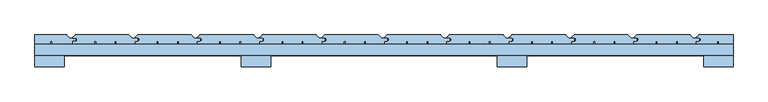
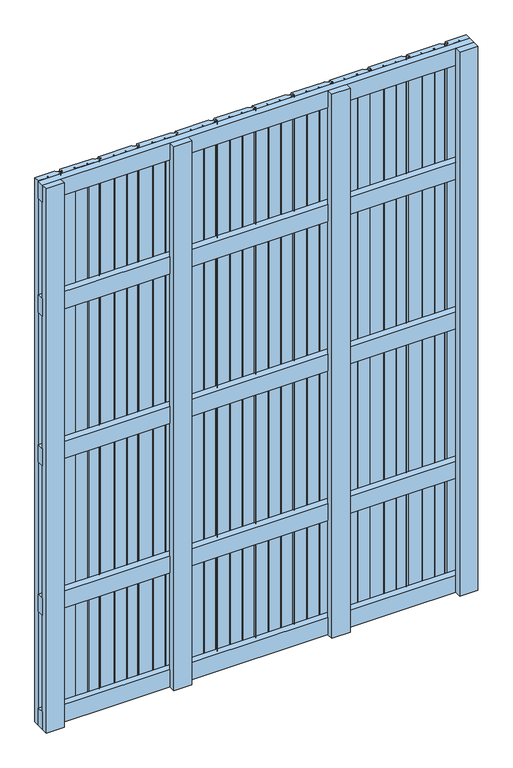
"""IFC4 building model written with IfcOpenShell, lengths in millimetres: window geometry."""

import ifcopenshell
import ifcopenshell.guid

model = None  # the IFC model being written
_history = None  # IfcOwnerHistory: only IFC2X3 demands one
_inside = {}  # id of a spatial element -> (the spatial element, [elements in it])
_under = {}  # id of a project, library or spatial element -> (it, [spatial elements below it])
_declared = {}  # id of a project -> (the project, [libraries it declares])
_typed = {}  # id of a type object -> (the type object, [elements of that type])
_made_of = {}  # id of a material, layer set ... -> (it, [elements and type objects made of it])


def new_model(schema):
    """Start an empty IFC model of exactly this schema.

    Asked for "IFC4X3", IfcOpenShell would pick the latest addendum, in which some entities
    have other attributes; the version numbers below select the first issue.
    IFC2X3 requires an IfcOwnerHistory on every rooted entity: one is made here for all.
    """
    global model, _history
    if schema == "IFC4X3":
        model = ifcopenshell.file(schema_version=(4, 3, 0, 0))
    else:
        model = ifcopenshell.file(schema=schema)
    _inside.clear()
    _under.clear()
    _declared.clear()
    _typed.clear()
    _made_of.clear()
    _history = None
    if model.schema == "IFC2X3":
        org = make("IfcOrganization", Name="unknown")
        user = make(
            "IfcPersonAndOrganization",
            ThePerson=make("IfcPerson", FamilyName="unknown"),
            TheOrganization=org,
        )
        app = make(
            "IfcApplication",
            ApplicationDeveloper=org,
            Version="unknown",
            ApplicationFullName="unknown",
            ApplicationIdentifier="unknown",
        )
        _history = make(
            "IfcOwnerHistory",
            OwningUser=user,
            OwningApplication=app,
            ChangeAction="ADDED",
            CreationDate=0,
        )
    return model


def make(cls, **values):
    """One entity of the class cls with the attributes given. An attribute that is None is left unset."""
    return model.create_entity(
        cls, **{name: value for name, value in values.items() if value is not None}
    )


def rooted(cls, **values):
    """An entity with a GlobalId (a new one), such as an element, a storey or a relation."""
    return make(cls, GlobalId=ifcopenshell.guid.new(), OwnerHistory=_history, **values)


def si_unit(unit_type, name, prefix=None):
    """IfcSIUnit, for example si_unit("LENGTHUNIT", "METRE", prefix="MILLI")."""
    return make("IfcSIUnit", UnitType=unit_type, Prefix=prefix, Name=name)


def assignment(units):
    """IfcUnitAssignment: the units of a project."""
    return None if units is None else make("IfcUnitAssignment", Units=units)


def point(xyz):
    """IfcCartesianPoint."""
    return None if xyz is None else make("IfcCartesianPoint", Coordinates=xyz)


def direction(xyz):
    """IfcDirection."""
    return None if xyz is None else make("IfcDirection", DirectionRatios=xyz)


def frame(location, z_axis=None, x_axis=None):
    """IfcAxis2Placement3D, a coordinate frame: its origin and axes. An axis left out is left unset."""
    return make(
        "IfcAxis2Placement3D",
        Location=point(location),
        Axis=direction(z_axis),
        RefDirection=direction(x_axis),
    )


def frame_2d(location, x_axis=None):
    """IfcAxis2Placement2D, a coordinate frame in the plane: its origin and x axis."""
    return make(
        "IfcAxis2Placement2D", Location=point(location), RefDirection=direction(x_axis)
    )


def origin():
    """The frame at (0, 0, 0) with its axes left unset."""
    return frame((0.0, 0.0, 0.0))


def place(relative_to, where):
    """IfcLocalPlacement: puts the frame where relative to a parent placement (None: the world)."""
    return make(
        "IfcLocalPlacement", PlacementRelTo=relative_to, RelativePlacement=where
    )


def context(
    kind, dimensions, precision=None, world=None, true_north=None, identifier=None
):
    """IfcGeometricRepresentationContext, for example the 3D "Model" context."""
    return make(
        "IfcGeometricRepresentationContext",
        ContextIdentifier=identifier,
        ContextType=kind,
        CoordinateSpaceDimension=dimensions,
        Precision=precision,
        WorldCoordinateSystem=world,
        TrueNorth=true_north,
    )


def project(units=None, contexts=None):
    """IfcProject with its units and contexts."""
    return rooted(
        "IfcProject",
        Name="project",
        RepresentationContexts=contexts,
        UnitsInContext=assignment(units),
    )


def spatial(cls, under=None, at=None, **own):
    """A site, building, storey or space (cls), placed at a placement, below another one or the project."""
    s = rooted(cls, ObjectPlacement=at, **own)
    if under is not None:
        _under.setdefault(under.id(), (under, []))[1].append(s)
    return s


def polyline(points):
    """IfcPolyline through the points."""
    return make("IfcPolyline", Points=[point(p) for p in points])


def circle_curve(where, radius):
    """IfcCircle in the frame where."""
    return make("IfcCircle", Position=where, Radius=radius)


def trimmed(basis, trim1, trim2, sense, master):
    """IfcTrimmedCurve: the piece of a basis curve between two trims."""
    return make(
        "IfcTrimmedCurve",
        BasisCurve=basis,
        Trim1=trim1,
        Trim2=trim2,
        SenseAgreement=sense,
        MasterRepresentation=master,
    )


def segment(curve, same_sense, transition):
    """IfcCompositeCurveSegment."""
    return make(
        "IfcCompositeCurveSegment",
        Transition=transition,
        SameSense=same_sense,
        ParentCurve=curve,
    )


def composite_curve(segments, self_intersect=None):
    """IfcCompositeCurve: segments joined end to end."""
    return make("IfcCompositeCurve", Segments=segments, SelfIntersect=self_intersect)


def outline(outer, holes=None, kind="AREA"):
    """IfcArbitraryClosedProfileDef: a profile drawn as a closed curve; with holes, ...WithVoids."""
    if holes is None:
        return make("IfcArbitraryClosedProfileDef", ProfileType=kind, OuterCurve=outer)
    return make(
        "IfcArbitraryProfileDefWithVoids",
        ProfileType=kind,
        OuterCurve=outer,
        InnerCurves=holes,
    )


def extrude(swept, where, along, depth):
    """IfcExtrudedAreaSolid: the profile swept, set in the frame where, extruded along a direction by depth."""
    return make(
        "IfcExtrudedAreaSolid",
        SweptArea=swept,
        Position=where,
        ExtrudedDirection=direction(along),
        Depth=depth,
    )


def shape(context_of_items, identifier, shape_type, items):
    """IfcShapeRepresentation: the items that make up one representation, for example the "Body"."""
    return make(
        "IfcShapeRepresentation",
        ContextOfItems=context_of_items,
        RepresentationIdentifier=identifier,
        RepresentationType=shape_type,
        Items=items,
    )


def source(mapping_origin, context_of_items, identifier, shape_type, items):
    """IfcRepresentationMap: a shape defined once, which mapped items show again and again."""
    return make(
        "IfcRepresentationMap",
        MappingOrigin=mapping_origin,
        MappedRepresentation=shape(context_of_items, identifier, shape_type, items),
    )


def transform(
    local_origin,
    x_axis=None,
    y_axis=None,
    z_axis=None,
    scale=None,
    scale2=None,
    scale3=None,
    uniform=True,
):
    """IfcCartesianTransformationOperator3D, or its non-uniform kind. x_axis, y_axis, z_axis: its Axis1, 2, 3."""
    if uniform:
        return make(
            "IfcCartesianTransformationOperator3D",
            Axis1=direction(x_axis),
            Axis2=direction(y_axis),
            LocalOrigin=point(local_origin),
            Scale=scale,
            Axis3=direction(z_axis),
        )
    return make(
        "IfcCartesianTransformationOperator3DnonUniform",
        Axis1=direction(x_axis),
        Axis2=direction(y_axis),
        LocalOrigin=point(local_origin),
        Scale=scale,
        Axis3=direction(z_axis),
        Scale2=scale2,
        Scale3=scale3,
    )


def mapped(mapping_source, mapping_target):
    """IfcMappedItem: shows the shape of a source again, moved by a transform."""
    return make(
        "IfcMappedItem", MappingSource=mapping_source, MappingTarget=mapping_target
    )


def made_of(thing, what):
    """Note that an element or type object is made of a material, layer set ...; save() writes the relation."""
    if what is not None:
        _made_of.setdefault(what.id(), (what, []))[1].append(thing)
    return thing


def element(
    cls,
    number,
    at=None,
    inside=None,
    cuts=None,
    type_object=None,
    material=None,
    context=None,
    identifier="Body",
    shape_type=None,
    held_by="IfcProductDefinitionShape",
    body=None,
    shapes=None,
    **own,
):
    """One element of the class cls, such as IfcWall. Its Tag is "e" and its number.

    at: its placement. inside: the storey or other place that contains it. cuts: it is an
    opening in that element (IfcRelVoidsElement). A single representation is given by context,
    identifier, shape_type and body (its items); several are given by shapes. held_by: the class
    of the entity that holds the representations. save() writes the other relations.
    """
    e = rooted(cls, Tag="e%d" % number, ObjectPlacement=at, **own)
    if body is not None:
        shapes = [shape(context, identifier, shape_type, body)]
    if shapes is not None:
        e.Representation = make(held_by, Representations=shapes)
    if inside is not None:
        _inside.setdefault(inside.id(), (inside, []))[1].append(e)
    if cuts is not None:
        rooted(
            "IfcRelVoidsElement", RelatingBuildingElement=cuts, RelatedOpeningElement=e
        )
    if type_object is not None:
        _typed.setdefault(type_object.id(), (type_object, []))[1].append(e)
    return made_of(e, material)


def aggregate(whole, parts):
    """IfcRelAggregates: a whole, such as a stair, and the parts it consists of."""
    return rooted("IfcRelAggregates", RelatingObject=whole, RelatedObjects=parts)


def save(model, path):
    """Write the relations noted so far, then the file.

    IfcRelAggregates (storeys below a building ...), IfcRelContainedInSpatialStructure (elements
    in a storey), IfcRelDefinesByType, IfcRelAssociatesMaterial and IfcRelDeclares: one each for
    every whole, place, type object, material and project.
    """
    for whole, parts in _under.values():
        aggregate(whole, parts)
    for where, things in _inside.values():
        rooted(
            "IfcRelContainedInSpatialStructure",
            RelatedElements=things,
            RelatingStructure=where,
        )
    for kind, things in _typed.values():
        rooted("IfcRelDefinesByType", RelatedObjects=things, RelatingType=kind)
    for what, things in _made_of.values():
        rooted("IfcRelAssociatesMaterial", RelatedObjects=things, RelatingMaterial=what)
    for by, libraries in _declared.values():
        rooted("IfcRelDeclares", RelatingContext=by, RelatedDefinitions=libraries)
    model.write(path)


def window_7586d197(model_context):
    return source(origin(), model_context, "Body", "SweptSolid", [
        extrude(outline(polyline([(750.0, 148.0), (750.0, 124.0), (-750.0, 124.0), (-750.0, 148.0), (750.0, 148.0)])), frame((0.0, 0.0, 1618.5), z_axis=(0.0, 0.0, 1.0), x_axis=(1.0, 0.0, 0.0)), (0.0, 0.0, 1.0), 63.0),
        extrude(outline(polyline([(750.0, 148.0), (750.0, 124.0), (-750.0, 124.0), (-750.0, 148.0), (750.0, 148.0)])), frame((0.0, 0.0, 1068.5), z_axis=(0.0, 0.0, 1.0), x_axis=(1.0, 0.0, 0.0)), (0.0, 0.0, 1.0), 63.0),
        extrude(outline(polyline([(750.0, 148.0), (750.0, 124.0), (-750.0, 124.0), (-750.0, 148.0), (750.0, 148.0)])), frame((0.0, 0.0, 518.5), z_axis=(0.0, 0.0, 1.0), x_axis=(1.0, 0.0, 0.0)), (0.0, 0.0, 1.0), 63.0),
        extrude(outline(polyline([(750.0, 148.0), (750.0, 124.0), (-750.0, 124.0), (-750.0, 148.0), (750.0, 148.0)])), frame((0.0, 0.0, 2037.0), z_axis=(0.0, 0.0, 1.0), x_axis=(1.0, 0.0, 0.0)), (0.0, 0.0, 1.0), 63.0),
        extrude(outline(polyline([(750.0, 148.0), (750.0, 124.0), (-750.0, 124.0), (-750.0, 148.0), (750.0, 148.0)])), frame((0.0, 0.0, 100.0), z_axis=(0.0, 0.0, 1.0), x_axis=(1.0, 0.0, 0.0)), (0.0, 0.0, 1.0), 63.0),
        extrude(outline(composite_curve([segment(polyline([(-668.0, 154.5), (-661.5, 154.5)]), True, "CONTINUOUS"), segment(trimmed(circle_curve(frame_2d((-661.5, 156.0)), 1.5), [point((-661.5, 154.5))], [point((-660.0, 156.0))], True, "CARTESIAN"), True, "CONTINUOUS"), segment(polyline([(-660.0, 156.0), (-660.0, 159.5)]), True, "CONTINUOUS"), segment(trimmed(circle_curve(frame_2d((-661.5, 159.5)), 1.5), [point((-660.0, 159.5))], [point((-661.5, 161.0))], True, "CARTESIAN"), True, "CONTINUOUS"), segment(polyline([(-661.5, 161.0), (-668.0, 161.0)]), True, "CONTINUOUS"), segment(trimmed(circle_curve(frame_2d((-668.0, 162.0)), 1.0), [point((-668.0, 161.0))], [point((-668.7071068, 162.7071068))], False, "CARTESIAN"), True, "CONTINUOUS"), segment(polyline([(-668.7071068, 162.7071068), (-663.8535534, 167.5606602)]), True, "CONTINUOUS"), segment(trimmed(circle_curve(frame_2d((-662.7928932, 166.5)), 1.5), [point((-663.8535534, 167.5606602))], [point((-662.7928932, 168.0))], False, "CARTESIAN"), True, "CONTINUOUS"), segment(polyline([(-662.7928932, 168.0), (-548.6213203, 168.0)]), True, "CONTINUOUS"), segment(trimmed(circle_curve(frame_2d((-548.6213203, 166.5)), 1.5), [point((-548.6213203, 168.0))], [point((-547.5606602, 167.5606602))], False, "CARTESIAN"), True, "CONTINUOUS"), segment(polyline([(-547.5606602, 167.5606602), (-541.2928932, 161.2928932)]), True, "CONTINUOUS"), segment(trimmed(circle_curve(frame_2d((-540.5857864, 162.0)), 1.0), [point((-541.2928932, 161.2928932))], [point((-540.5857864, 161.0))], True, "CARTESIAN"), True, "CONTINUOUS"), segment(polyline([(-540.5857864, 161.0), (-530.5, 161.0)]), True, "CONTINUOUS"), segment(trimmed(circle_curve(frame_2d((-530.5, 159.5)), 1.5), [point((-530.5, 161.0))], [point((-529.0, 159.5))], False, "CARTESIAN"), True, "CONTINUOUS"), segment(polyline([(-529.0, 159.5), (-529.0, 156.0)]), True, "CONTINUOUS"), segment(trimmed(circle_curve(frame_2d((-530.5, 156.0)), 1.5), [point((-529.0, 156.0))], [point((-530.5, 154.5))], False, "CARTESIAN"), True, "CONTINUOUS"), segment(polyline([(-530.5, 154.5), (-536.0, 154.5), (-536.0, 148.0), (-575.0, 148.0), (-575.0, 154.5), (-578.5, 154.5), (-578.5, 148.5), (-618.5, 148.5), (-618.5, 154.5), (-622.0, 154.5), (-622.0, 148.0), (-669.0, 148.0), (-669.0, 153.5)]), True, "CONTINUOUS"), segment(trimmed(circle_curve(frame_2d((-668.0, 153.5)), 1.0), [point((-669.0, 153.5))], [point((-668.0, 154.5))], False, "CARTESIAN"), True, "CONTINUOUS")], self_intersect=False)), frame((0.0, 0.0, 100.0), z_axis=(0.0, 0.0, 1.0), x_axis=(1.0, 0.0, 0.0)), (0.0, 0.0, 1.0), 2000.0),
        extrude(outline(composite_curve([segment(polyline([(-534.0, 154.5), (-527.5, 154.5)]), True, "CONTINUOUS"), segment(trimmed(circle_curve(frame_2d((-527.5, 156.0)), 1.5), [point((-527.5, 154.5))], [point((-526.0, 156.0))], True, "CARTESIAN"), True, "CONTINUOUS"), segment(polyline([(-526.0, 156.0), (-526.0, 159.5)]), True, "CONTINUOUS"), segment(trimmed(circle_curve(frame_2d((-527.5, 159.5)), 1.5), [point((-526.0, 159.5))], [point((-527.5, 161.0))], True, "CARTESIAN"), True, "CONTINUOUS"), segment(polyline([(-527.5, 161.0), (-534.0, 161.0)]), True, "CONTINUOUS"), segment(trimmed(circle_curve(frame_2d((-534.0, 162.0)), 1.0), [point((-534.0, 161.0))], [point((-534.7071068, 162.7071068))], False, "CARTESIAN"), True, "CONTINUOUS"), segment(polyline([(-534.7071068, 162.7071068), (-529.8535534, 167.5606602)]), True, "CONTINUOUS"), segment(trimmed(circle_curve(frame_2d((-528.7928932, 166.5)), 1.5), [point((-529.8535534, 167.5606602))], [point((-528.7928932, 168.0))], False, "CARTESIAN"), True, "CONTINUOUS"), segment(polyline([(-528.7928932, 168.0), (-414.6213203, 168.0)]), True, "CONTINUOUS"), segment(trimmed(circle_curve(frame_2d((-414.6213203, 166.5)), 1.5), [point((-414.6213203, 168.0))], [point((-413.5606602, 167.5606602))], False, "CARTESIAN"), True, "CONTINUOUS"), segment(polyline([(-413.5606602, 167.5606602), (-407.2928932, 161.2928932)]), True, "CONTINUOUS"), segment(trimmed(circle_curve(frame_2d((-406.5857864, 162.0)), 1.0), [point((-407.2928932, 161.2928932))], [point((-406.5857864, 161.0))], True, "CARTESIAN"), True, "CONTINUOUS"), segment(polyline([(-406.5857864, 161.0), (-396.5, 161.0)]), True, "CONTINUOUS"), segment(trimmed(circle_curve(frame_2d((-396.5, 159.5)), 1.5), [point((-396.5, 161.0))], [point((-395.0, 159.5))], False, "CARTESIAN"), True, "CONTINUOUS"), segment(polyline([(-395.0, 159.5), (-395.0, 156.0)]), True, "CONTINUOUS"), segment(trimmed(circle_curve(frame_2d((-396.5, 156.0)), 1.5), [point((-395.0, 156.0))], [point((-396.5, 154.5))], False, "CARTESIAN"), True, "CONTINUOUS"), segment(polyline([(-396.5, 154.5), (-402.0, 154.5), (-402.0, 148.0), (-441.0, 148.0), (-441.0, 154.5), (-444.5, 154.5), (-444.5, 148.5), (-484.5, 148.5), (-484.5, 154.5), (-488.0, 154.5), (-488.0, 148.0), (-535.0, 148.0), (-535.0, 153.5)]), True, "CONTINUOUS"), segment(trimmed(circle_curve(frame_2d((-534.0, 153.5)), 1.0), [point((-535.0, 153.5))], [point((-534.0, 154.5))], False, "CARTESIAN"), True, "CONTINUOUS")], self_intersect=False)), frame((0.0, 0.0, 100.0), z_axis=(0.0, 0.0, 1.0), x_axis=(1.0, 0.0, 0.0)), (0.0, 0.0, 1.0), 2000.0),
        extrude(outline(composite_curve([segment(polyline([(-400.0, 154.5), (-393.5, 154.5)]), True, "CONTINUOUS"), segment(trimmed(circle_curve(frame_2d((-393.5, 156.0)), 1.5), [point((-393.5, 154.5))], [point((-392.0, 156.0))], True, "CARTESIAN"), True, "CONTINUOUS"), segment(polyline([(-392.0, 156.0), (-392.0, 159.5)]), True, "CONTINUOUS"), segment(trimmed(circle_curve(frame_2d((-393.5, 159.5)), 1.5), [point((-392.0, 159.5))], [point((-393.5, 161.0))], True, "CARTESIAN"), True, "CONTINUOUS"), segment(polyline([(-393.5, 161.0), (-400.0, 161.0)]), True, "CONTINUOUS"), segment(trimmed(circle_curve(frame_2d((-400.0, 162.0)), 1.0), [point((-400.0, 161.0))], [point((-400.7071068, 162.7071068))], False, "CARTESIAN"), True, "CONTINUOUS"), segment(polyline([(-400.7071068, 162.7071068), (-395.8535534, 167.5606602)]), True, "CONTINUOUS"), segment(trimmed(circle_curve(frame_2d((-394.7928932, 166.5)), 1.5), [point((-395.8535534, 167.5606602))], [point((-394.7928932, 168.0))], False, "CARTESIAN"), True, "CONTINUOUS"), segment(polyline([(-394.7928932, 168.0), (-280.6213203, 168.0)]), True, "CONTINUOUS"), segment(trimmed(circle_curve(frame_2d((-280.6213203, 166.5)), 1.5), [point((-280.6213203, 168.0))], [point((-279.5606602, 167.5606602))], False, "CARTESIAN"), True, "CONTINUOUS"), segment(polyline([(-279.5606602, 167.5606602), (-273.2928932, 161.2928932)]), True, "CONTINUOUS"), segment(trimmed(circle_curve(frame_2d((-272.5857864, 162.0)), 1.0), [point((-273.2928932, 161.2928932))], [point((-272.5857864, 161.0))], True, "CARTESIAN"), True, "CONTINUOUS"), segment(polyline([(-272.5857864, 161.0), (-262.5, 161.0)]), True, "CONTINUOUS"), segment(trimmed(circle_curve(frame_2d((-262.5, 159.5)), 1.5), [point((-262.5, 161.0))], [point((-261.0, 159.5))], False, "CARTESIAN"), True, "CONTINUOUS"), segment(polyline([(-261.0, 159.5), (-261.0, 156.0)]), True, "CONTINUOUS"), segment(trimmed(circle_curve(frame_2d((-262.5, 156.0)), 1.5), [point((-261.0, 156.0))], [point((-262.5, 154.5))], False, "CARTESIAN"), True, "CONTINUOUS"), segment(polyline([(-262.5, 154.5), (-268.0, 154.5), (-268.0, 148.0), (-307.0, 148.0), (-307.0, 154.5), (-310.5, 154.5), (-310.5, 148.5), (-350.5, 148.5), (-350.5, 154.5), (-354.0, 154.5), (-354.0, 148.0), (-401.0, 148.0), (-401.0, 153.5)]), True, "CONTINUOUS"), segment(trimmed(circle_curve(frame_2d((-400.0, 153.5)), 1.0), [point((-401.0, 153.5))], [point((-400.0, 154.5))], False, "CARTESIAN"), True, "CONTINUOUS")], self_intersect=False)), frame((0.0, 0.0, 100.0), z_axis=(0.0, 0.0, 1.0), x_axis=(1.0, 0.0, 0.0)), (0.0, 0.0, 1.0), 2000.0),
        extrude(outline(composite_curve([segment(polyline([(-266.0, 154.5), (-259.5, 154.5)]), True, "CONTINUOUS"), segment(trimmed(circle_curve(frame_2d((-259.5, 156.0)), 1.5), [point((-259.5, 154.5))], [point((-258.0, 156.0))], True, "CARTESIAN"), True, "CONTINUOUS"), segment(polyline([(-258.0, 156.0), (-258.0, 159.5)]), True, "CONTINUOUS"), segment(trimmed(circle_curve(frame_2d((-259.5, 159.5)), 1.5), [point((-258.0, 159.5))], [point((-259.5, 161.0))], True, "CARTESIAN"), True, "CONTINUOUS"), segment(polyline([(-259.5, 161.0), (-266.0, 161.0)]), True, "CONTINUOUS"), segment(trimmed(circle_curve(frame_2d((-266.0, 162.0)), 1.0), [point((-266.0, 161.0))], [point((-266.7071068, 162.7071068))], False, "CARTESIAN"), True, "CONTINUOUS"), segment(polyline([(-266.7071068, 162.7071068), (-261.8535534, 167.5606602)]), True, "CONTINUOUS"), segment(trimmed(circle_curve(frame_2d((-260.7928932, 166.5)), 1.5), [point((-261.8535534, 167.5606602))], [point((-260.7928932, 168.0))], False, "CARTESIAN"), True, "CONTINUOUS"), segment(polyline([(-260.7928932, 168.0), (-146.6213203, 168.0)]), True, "CONTINUOUS"), segment(trimmed(circle_curve(frame_2d((-146.6213203, 166.5)), 1.5), [point((-146.6213203, 168.0))], [point((-145.5606602, 167.5606602))], False, "CARTESIAN"), True, "CONTINUOUS"), segment(polyline([(-145.5606602, 167.5606602), (-139.2928932, 161.2928932)]), True, "CONTINUOUS"), segment(trimmed(circle_curve(frame_2d((-138.5857864, 162.0)), 1.0), [point((-139.2928932, 161.2928932))], [point((-138.5857864, 161.0))], True, "CARTESIAN"), True, "CONTINUOUS"), segment(polyline([(-138.5857864, 161.0), (-128.5, 161.0)]), True, "CONTINUOUS"), segment(trimmed(circle_curve(frame_2d((-128.5, 159.5)), 1.5), [point((-128.5, 161.0))], [point((-127.0, 159.5))], False, "CARTESIAN"), True, "CONTINUOUS"), segment(polyline([(-127.0, 159.5), (-127.0, 156.0)]), True, "CONTINUOUS"), segment(trimmed(circle_curve(frame_2d((-128.5, 156.0)), 1.5), [point((-127.0, 156.0))], [point((-128.5, 154.5))], False, "CARTESIAN"), True, "CONTINUOUS"), segment(polyline([(-128.5, 154.5), (-134.0, 154.5), (-134.0, 148.0), (-173.0, 148.0), (-173.0, 154.5), (-176.5, 154.5), (-176.5, 148.5), (-216.5, 148.5), (-216.5, 154.5), (-220.0, 154.5), (-220.0, 148.0), (-267.0, 148.0), (-267.0, 153.5)]), True, "CONTINUOUS"), segment(trimmed(circle_curve(frame_2d((-266.0, 153.5)), 1.0), [point((-267.0, 153.5))], [point((-266.0, 154.5))], False, "CARTESIAN"), True, "CONTINUOUS")], self_intersect=False)), frame((0.0, 0.0, 100.0), z_axis=(0.0, 0.0, 1.0), x_axis=(1.0, 0.0, 0.0)), (0.0, 0.0, 1.0), 2000.0),
        extrude(outline(composite_curve([segment(polyline([(-132.0, 154.5), (-125.5, 154.5)]), True, "CONTINUOUS"), segment(trimmed(circle_curve(frame_2d((-125.5, 156.0)), 1.5), [point((-125.5, 154.5))], [point((-124.0, 156.0))], True, "CARTESIAN"), True, "CONTINUOUS"), segment(polyline([(-124.0, 156.0), (-124.0, 159.5)]), True, "CONTINUOUS"), segment(trimmed(circle_curve(frame_2d((-125.5, 159.5)), 1.5), [point((-124.0, 159.5))], [point((-125.5, 161.0))], True, "CARTESIAN"), True, "CONTINUOUS"), segment(polyline([(-125.5, 161.0), (-132.0, 161.0)]), True, "CONTINUOUS"), segment(trimmed(circle_curve(frame_2d((-132.0, 162.0)), 1.0), [point((-132.0, 161.0))], [point((-132.7071068, 162.7071068))], False, "CARTESIAN"), True, "CONTINUOUS"), segment(polyline([(-132.7071068, 162.7071068), (-127.8535534, 167.5606602)]), True, "CONTINUOUS"), segment(trimmed(circle_curve(frame_2d((-126.7928932, 166.5)), 1.5), [point((-127.8535534, 167.5606602))], [point((-126.7928932, 168.0))], False, "CARTESIAN"), True, "CONTINUOUS"), segment(polyline([(-126.7928932, 168.0), (-12.6213203, 168.0)]), True, "CONTINUOUS"), segment(trimmed(circle_curve(frame_2d((-12.6213203, 166.5)), 1.5), [point((-12.6213203, 168.0))], [point((-11.5606602, 167.5606602))], False, "CARTESIAN"), True, "CONTINUOUS"), segment(polyline([(-11.5606602, 167.5606602), (-5.2928932, 161.2928932)]), True, "CONTINUOUS"), segment(trimmed(circle_curve(frame_2d((-4.5857864, 162.0)), 1.0), [point((-5.2928932, 161.2928932))], [point((-4.5857864, 161.0))], True, "CARTESIAN"), True, "CONTINUOUS"), segment(polyline([(-4.5857864, 161.0), (5.5, 161.0)]), True, "CONTINUOUS"), segment(trimmed(circle_curve(frame_2d((5.5, 159.5)), 1.5), [point((5.5, 161.0))], [point((7.0, 159.5))], False, "CARTESIAN"), True, "CONTINUOUS"), segment(polyline([(7.0, 159.5), (7.0, 156.0)]), True, "CONTINUOUS"), segment(trimmed(circle_curve(frame_2d((5.5, 156.0)), 1.5), [point((7.0, 156.0))], [point((5.5, 154.5))], False, "CARTESIAN"), True, "CONTINUOUS"), segment(polyline([(5.5, 154.5), (0.0, 154.5), (0.0, 148.0), (-39.0, 148.0), (-39.0, 154.5), (-42.5, 154.5), (-42.5, 148.5), (-82.5, 148.5), (-82.5, 154.5), (-86.0, 154.5), (-86.0, 148.0), (-133.0, 148.0), (-133.0, 153.5)]), True, "CONTINUOUS"), segment(trimmed(circle_curve(frame_2d((-132.0, 153.5)), 1.0), [point((-133.0, 153.5))], [point((-132.0, 154.5))], False, "CARTESIAN"), True, "CONTINUOUS")], self_intersect=False)), frame((0.0, 0.0, 100.0), z_axis=(0.0, 0.0, 1.0), x_axis=(1.0, 0.0, 0.0)), (0.0, 0.0, 1.0), 2000.0),
        extrude(outline(composite_curve([segment(polyline([(2.0, 154.5), (8.5, 154.5)]), True, "CONTINUOUS"), segment(trimmed(circle_curve(frame_2d((8.5, 156.0)), 1.5), [point((8.5, 154.5))], [point((10.0, 156.0))], True, "CARTESIAN"), True, "CONTINUOUS"), segment(polyline([(10.0, 156.0), (10.0, 159.5)]), True, "CONTINUOUS"), segment(trimmed(circle_curve(frame_2d((8.5, 159.5)), 1.5), [point((10.0, 159.5))], [point((8.5, 161.0))], True, "CARTESIAN"), True, "CONTINUOUS"), segment(polyline([(8.5, 161.0), (2.0, 161.0)]), True, "CONTINUOUS"), segment(trimmed(circle_curve(frame_2d((2.0, 162.0)), 1.0), [point((2.0, 161.0))], [point((1.2928932, 162.7071068))], False, "CARTESIAN"), True, "CONTINUOUS"), segment(polyline([(1.2928932, 162.7071068), (6.1464466, 167.5606602)]), True, "CONTINUOUS"), segment(trimmed(circle_curve(frame_2d((7.2071068, 166.5)), 1.5), [point((6.1464466, 167.5606602))], [point((7.2071068, 168.0))], False, "CARTESIAN"), True, "CONTINUOUS"), segment(polyline([(7.2071068, 168.0), (121.3786797, 168.0)]), True, "CONTINUOUS"), segment(trimmed(circle_curve(frame_2d((121.3786797, 166.5)), 1.5), [point((121.3786797, 168.0))], [point((122.4393398, 167.5606602))], False, "CARTESIAN"), True, "CONTINUOUS"), segment(polyline([(122.4393398, 167.5606602), (128.7071068, 161.2928932)]), True, "CONTINUOUS"), segment(trimmed(circle_curve(frame_2d((129.4142136, 162.0)), 1.0), [point((128.7071068, 161.2928932))], [point((129.4142136, 161.0))], True, "CARTESIAN"), True, "CONTINUOUS"), segment(polyline([(129.4142136, 161.0), (139.5, 161.0)]), True, "CONTINUOUS"), segment(trimmed(circle_curve(frame_2d((139.5, 159.5)), 1.5), [point((139.5, 161.0))], [point((141.0, 159.5))], False, "CARTESIAN"), True, "CONTINUOUS"), segment(polyline([(141.0, 159.5), (141.0, 156.0)]), True, "CONTINUOUS"), segment(trimmed(circle_curve(frame_2d((139.5, 156.0)), 1.5), [point((141.0, 156.0))], [point((139.5, 154.5))], False, "CARTESIAN"), True, "CONTINUOUS"), segment(polyline([(139.5, 154.5), (134.0, 154.5), (134.0, 148.0), (95.0, 148.0), (95.0, 154.5), (91.5, 154.5), (91.5, 148.5), (51.5, 148.5), (51.5, 154.5), (48.0, 154.5), (48.0, 148.0), (1.0, 148.0), (1.0, 153.5)]), True, "CONTINUOUS"), segment(trimmed(circle_curve(frame_2d((2.0, 153.5)), 1.0), [point((1.0, 153.5))], [point((2.0, 154.5))], False, "CARTESIAN"), True, "CONTINUOUS")], self_intersect=False)), frame((0.0, 0.0, 100.0), z_axis=(0.0, 0.0, 1.0), x_axis=(1.0, 0.0, 0.0)), (0.0, 0.0, 1.0), 2000.0),
        extrude(outline(composite_curve([segment(polyline([(136.0, 154.5), (142.5, 154.5)]), True, "CONTINUOUS"), segment(trimmed(circle_curve(frame_2d((142.5, 156.0)), 1.5), [point((142.5, 154.5))], [point((144.0, 156.0))], True, "CARTESIAN"), True, "CONTINUOUS"), segment(polyline([(144.0, 156.0), (144.0, 159.5)]), True, "CONTINUOUS"), segment(trimmed(circle_curve(frame_2d((142.5, 159.5)), 1.5), [point((144.0, 159.5))], [point((142.5, 161.0))], True, "CARTESIAN"), True, "CONTINUOUS"), segment(polyline([(142.5, 161.0), (136.0, 161.0)]), True, "CONTINUOUS"), segment(trimmed(circle_curve(frame_2d((136.0, 162.0)), 1.0), [point((136.0, 161.0))], [point((135.2928932, 162.7071068))], False, "CARTESIAN"), True, "CONTINUOUS"), segment(polyline([(135.2928932, 162.7071068), (140.1464466, 167.5606602)]), True, "CONTINUOUS"), segment(trimmed(circle_curve(frame_2d((141.2071068, 166.5)), 1.5), [point((140.1464466, 167.5606602))], [point((141.2071068, 168.0))], False, "CARTESIAN"), True, "CONTINUOUS"), segment(polyline([(141.2071068, 168.0), (255.3786797, 168.0)]), True, "CONTINUOUS"), segment(trimmed(circle_curve(frame_2d((255.3786797, 166.5)), 1.5), [point((255.3786797, 168.0))], [point((256.4393398, 167.5606602))], False, "CARTESIAN"), True, "CONTINUOUS"), segment(polyline([(256.4393398, 167.5606602), (262.7071068, 161.2928932)]), True, "CONTINUOUS"), segment(trimmed(circle_curve(frame_2d((263.4142136, 162.0)), 1.0), [point((262.7071068, 161.2928932))], [point((263.4142136, 161.0))], True, "CARTESIAN"), True, "CONTINUOUS"), segment(polyline([(263.4142136, 161.0), (273.5, 161.0)]), True, "CONTINUOUS"), segment(trimmed(circle_curve(frame_2d((273.5, 159.5)), 1.5), [point((273.5, 161.0))], [point((275.0, 159.5))], False, "CARTESIAN"), True, "CONTINUOUS"), segment(polyline([(275.0, 159.5), (275.0, 156.0)]), True, "CONTINUOUS"), segment(trimmed(circle_curve(frame_2d((273.5, 156.0)), 1.5), [point((275.0, 156.0))], [point((273.5, 154.5))], False, "CARTESIAN"), True, "CONTINUOUS"), segment(polyline([(273.5, 154.5), (268.0, 154.5), (268.0, 148.0), (229.0, 148.0), (229.0, 154.5), (225.5, 154.5), (225.5, 148.5), (185.5, 148.5), (185.5, 154.5), (182.0, 154.5), (182.0, 148.0), (135.0, 148.0), (135.0, 153.5)]), True, "CONTINUOUS"), segment(trimmed(circle_curve(frame_2d((136.0, 153.5)), 1.0), [point((135.0, 153.5))], [point((136.0, 154.5))], False, "CARTESIAN"), True, "CONTINUOUS")], self_intersect=False)), frame((0.0, 0.0, 100.0), z_axis=(0.0, 0.0, 1.0), x_axis=(1.0, 0.0, 0.0)), (0.0, 0.0, 1.0), 2000.0),
        extrude(outline(composite_curve([segment(polyline([(270.0, 154.5), (276.5, 154.5)]), True, "CONTINUOUS"), segment(trimmed(circle_curve(frame_2d((276.5, 156.0)), 1.5), [point((276.5, 154.5))], [point((278.0, 156.0))], True, "CARTESIAN"), True, "CONTINUOUS"), segment(polyline([(278.0, 156.0), (278.0, 159.5)]), True, "CONTINUOUS"), segment(trimmed(circle_curve(frame_2d((276.5, 159.5)), 1.5), [point((278.0, 159.5))], [point((276.5, 161.0))], True, "CARTESIAN"), True, "CONTINUOUS"), segment(polyline([(276.5, 161.0), (270.0, 161.0)]), True, "CONTINUOUS"), segment(trimmed(circle_curve(frame_2d((270.0, 162.0)), 1.0), [point((270.0, 161.0))], [point((269.2928932, 162.7071068))], False, "CARTESIAN"), True, "CONTINUOUS"), segment(polyline([(269.2928932, 162.7071068), (274.1464466, 167.5606602)]), True, "CONTINUOUS"), segment(trimmed(circle_curve(frame_2d((275.2071068, 166.5)), 1.5), [point((274.1464466, 167.5606602))], [point((275.2071068, 168.0))], False, "CARTESIAN"), True, "CONTINUOUS"), segment(polyline([(275.2071068, 168.0), (389.3786797, 168.0)]), True, "CONTINUOUS"), segment(trimmed(circle_curve(frame_2d((389.3786797, 166.5)), 1.5), [point((389.3786797, 168.0))], [point((390.4393398, 167.5606602))], False, "CARTESIAN"), True, "CONTINUOUS"), segment(polyline([(390.4393398, 167.5606602), (396.7071068, 161.2928932)]), True, "CONTINUOUS"), segment(trimmed(circle_curve(frame_2d((397.4142136, 162.0)), 1.0), [point((396.7071068, 161.2928932))], [point((397.4142136, 161.0))], True, "CARTESIAN"), True, "CONTINUOUS"), segment(polyline([(397.4142136, 161.0), (407.5, 161.0)]), True, "CONTINUOUS"), segment(trimmed(circle_curve(frame_2d((407.5, 159.5)), 1.5), [point((407.5, 161.0))], [point((409.0, 159.5))], False, "CARTESIAN"), True, "CONTINUOUS"), segment(polyline([(409.0, 159.5), (409.0, 156.0)]), True, "CONTINUOUS"), segment(trimmed(circle_curve(frame_2d((407.5, 156.0)), 1.5), [point((409.0, 156.0))], [point((407.5, 154.5))], False, "CARTESIAN"), True, "CONTINUOUS"), segment(polyline([(407.5, 154.5), (402.0, 154.5), (402.0, 148.0), (363.0, 148.0), (363.0, 154.5), (359.5, 154.5), (359.5, 148.5), (319.5, 148.5), (319.5, 154.5), (316.0, 154.5), (316.0, 148.0), (269.0, 148.0), (269.0, 153.5)]), True, "CONTINUOUS"), segment(trimmed(circle_curve(frame_2d((270.0, 153.5)), 1.0), [point((269.0, 153.5))], [point((270.0, 154.5))], False, "CARTESIAN"), True, "CONTINUOUS")], self_intersect=False)), frame((0.0, 0.0, 100.0), z_axis=(0.0, 0.0, 1.0), x_axis=(1.0, 0.0, 0.0)), (0.0, 0.0, 1.0), 2000.0),
        extrude(outline(composite_curve([segment(polyline([(404.0, 154.5), (410.5, 154.5)]), True, "CONTINUOUS"), segment(trimmed(circle_curve(frame_2d((410.5, 156.0)), 1.5), [point((410.5, 154.5))], [point((412.0, 156.0))], True, "CARTESIAN"), True, "CONTINUOUS"), segment(polyline([(412.0, 156.0), (412.0, 159.5)]), True, "CONTINUOUS"), segment(trimmed(circle_curve(frame_2d((410.5, 159.5)), 1.5), [point((412.0, 159.5))], [point((410.5, 161.0))], True, "CARTESIAN"), True, "CONTINUOUS"), segment(polyline([(410.5, 161.0), (404.0, 161.0)]), True, "CONTINUOUS"), segment(trimmed(circle_curve(frame_2d((404.0, 162.0)), 1.0), [point((404.0, 161.0))], [point((403.2928932, 162.7071068))], False, "CARTESIAN"), True, "CONTINUOUS"), segment(polyline([(403.2928932, 162.7071068), (408.1464466, 167.5606602)]), True, "CONTINUOUS"), segment(trimmed(circle_curve(frame_2d((409.2071068, 166.5)), 1.5), [point((408.1464466, 167.5606602))], [point((409.2071068, 168.0))], False, "CARTESIAN"), True, "CONTINUOUS"), segment(polyline([(409.2071068, 168.0), (523.3786797, 168.0)]), True, "CONTINUOUS"), segment(trimmed(circle_curve(frame_2d((523.3786797, 166.5)), 1.5), [point((523.3786797, 168.0))], [point((524.4393398, 167.5606602))], False, "CARTESIAN"), True, "CONTINUOUS"), segment(polyline([(524.4393398, 167.5606602), (530.7071068, 161.2928932)]), True, "CONTINUOUS"), segment(trimmed(circle_curve(frame_2d((531.4142136, 162.0)), 1.0), [point((530.7071068, 161.2928932))], [point((531.4142136, 161.0))], True, "CARTESIAN"), True, "CONTINUOUS"), segment(polyline([(531.4142136, 161.0), (541.5, 161.0)]), True, "CONTINUOUS"), segment(trimmed(circle_curve(frame_2d((541.5, 159.5)), 1.5), [point((541.5, 161.0))], [point((543.0, 159.5))], False, "CARTESIAN"), True, "CONTINUOUS"), segment(polyline([(543.0, 159.5), (543.0, 156.0)]), True, "CONTINUOUS"), segment(trimmed(circle_curve(frame_2d((541.5, 156.0)), 1.5), [point((543.0, 156.0))], [point((541.5, 154.5))], False, "CARTESIAN"), True, "CONTINUOUS"), segment(polyline([(541.5, 154.5), (536.0, 154.5), (536.0, 148.0), (497.0, 148.0), (497.0, 154.5), (493.5, 154.5), (493.5, 148.5), (453.5, 148.5), (453.5, 154.5), (450.0, 154.5), (450.0, 148.0), (403.0, 148.0), (403.0, 153.5)]), True, "CONTINUOUS"), segment(trimmed(circle_curve(frame_2d((404.0, 153.5)), 1.0), [point((403.0, 153.5))], [point((404.0, 154.5))], False, "CARTESIAN"), True, "CONTINUOUS")], self_intersect=False)), frame((0.0, 0.0, 100.0), z_axis=(0.0, 0.0, 1.0), x_axis=(1.0, 0.0, 0.0)), (0.0, 0.0, 1.0), 2000.0),
        extrude(outline(composite_curve([segment(polyline([(538.0, 154.5), (544.5, 154.5)]), True, "CONTINUOUS"), segment(trimmed(circle_curve(frame_2d((544.5, 156.0)), 1.5), [point((544.5, 154.5))], [point((546.0, 156.0))], True, "CARTESIAN"), True, "CONTINUOUS"), segment(polyline([(546.0, 156.0), (546.0, 159.5)]), True, "CONTINUOUS"), segment(trimmed(circle_curve(frame_2d((544.5, 159.5)), 1.5), [point((546.0, 159.5))], [point((544.5, 161.0))], True, "CARTESIAN"), True, "CONTINUOUS"), segment(polyline([(544.5, 161.0), (538.0, 161.0)]), True, "CONTINUOUS"), segment(trimmed(circle_curve(frame_2d((538.0, 162.0)), 1.0), [point((538.0, 161.0))], [point((537.2928932, 162.7071068))], False, "CARTESIAN"), True, "CONTINUOUS"), segment(polyline([(537.2928932, 162.7071068), (542.1464466, 167.5606602)]), True, "CONTINUOUS"), segment(trimmed(circle_curve(frame_2d((543.2071068, 166.5)), 1.5), [point((542.1464466, 167.5606602))], [point((543.2071068, 168.0))], False, "CARTESIAN"), True, "CONTINUOUS"), segment(polyline([(543.2071068, 168.0), (657.3786797, 168.0)]), True, "CONTINUOUS"), segment(trimmed(circle_curve(frame_2d((657.3786797, 166.5)), 1.5), [point((657.3786797, 168.0))], [point((658.4393398, 167.5606602))], False, "CARTESIAN"), True, "CONTINUOUS"), segment(polyline([(658.4393398, 167.5606602), (664.7071068, 161.2928932)]), True, "CONTINUOUS"), segment(trimmed(circle_curve(frame_2d((665.4142136, 162.0)), 1.0), [point((664.7071068, 161.2928932))], [point((665.4142136, 161.0))], True, "CARTESIAN"), True, "CONTINUOUS"), segment(polyline([(665.4142136, 161.0), (675.5, 161.0)]), True, "CONTINUOUS"), segment(trimmed(circle_curve(frame_2d((675.5, 159.5)), 1.5), [point((675.5, 161.0))], [point((677.0, 159.5))], False, "CARTESIAN"), True, "CONTINUOUS"), segment(polyline([(677.0, 159.5), (677.0, 156.0)]), True, "CONTINUOUS"), segment(trimmed(circle_curve(frame_2d((675.5, 156.0)), 1.5), [point((677.0, 156.0))], [point((675.5, 154.5))], False, "CARTESIAN"), True, "CONTINUOUS"), segment(polyline([(675.5, 154.5), (670.0, 154.5), (670.0, 148.0), (631.0, 148.0), (631.0, 154.5), (627.5, 154.5), (627.5, 148.5), (587.5, 148.5), (587.5, 154.5), (584.0, 154.5), (584.0, 148.0), (537.0, 148.0), (537.0, 153.5)]), True, "CONTINUOUS"), segment(trimmed(circle_curve(frame_2d((538.0, 153.5)), 1.0), [point((537.0, 153.5))], [point((538.0, 154.5))], False, "CARTESIAN"), True, "CONTINUOUS")], self_intersect=False)), frame((0.0, 0.0, 100.0), z_axis=(0.0, 0.0, 1.0), x_axis=(1.0, 0.0, 0.0)), (0.0, 0.0, 1.0), 2000.0),
        extrude(outline(composite_curve([segment(polyline([(-681.5606602, 167.5606602), (-675.2928932, 161.2928932)]), True, "CONTINUOUS"), segment(trimmed(circle_curve(frame_2d((-674.5857864, 162.0)), 1.0), [point((-675.2928932, 161.2928932))], [point((-674.5857864, 161.0))], True, "CARTESIAN"), True, "CONTINUOUS"), segment(polyline([(-674.5857864, 161.0), (-663.5, 161.0)]), True, "CONTINUOUS"), segment(trimmed(circle_curve(frame_2d((-663.5, 159.5)), 1.5), [point((-663.5, 161.0))], [point((-662.0, 159.5))], False, "CARTESIAN"), True, "CONTINUOUS"), segment(polyline([(-662.0, 159.5), (-662.0, 156.0)]), True, "CONTINUOUS"), segment(trimmed(circle_curve(frame_2d((-663.5, 156.0)), 1.5), [point((-662.0, 156.0))], [point((-663.5, 154.5))], False, "CARTESIAN"), True, "CONTINUOUS"), segment(polyline([(-663.5, 154.5), (-670.0, 154.5), (-670.0, 148.0), (-713.0610702, 148.0), (-713.0610702, 154.5), (-716.5610702, 154.5), (-716.5610702, 148.5), (-750.0, 148.5), (-750.0, 168.0), (-682.6213203, 168.0)]), True, "CONTINUOUS"), segment(trimmed(circle_curve(frame_2d((-682.6213203, 166.5)), 1.5), [point((-682.6213203, 168.0))], [point((-681.5606602, 167.5606602))], False, "CARTESIAN"), True, "CONTINUOUS")], self_intersect=False)), frame((0.0, 0.0, 100.0), z_axis=(0.0, 0.0, 1.0), x_axis=(1.0, 0.0, 0.0)), (0.0, 0.0, 1.0), 2000.0),
        extrude(outline(composite_curve([segment(polyline([(672.0, 154.5), (678.5, 154.5)]), True, "CONTINUOUS"), segment(trimmed(circle_curve(frame_2d((678.5, 156.0)), 1.5), [point((678.5, 154.5))], [point((680.0, 156.0))], True, "CARTESIAN"), True, "CONTINUOUS"), segment(polyline([(680.0, 156.0), (680.0, 159.5)]), True, "CONTINUOUS"), segment(trimmed(circle_curve(frame_2d((678.5, 159.5)), 1.5), [point((680.0, 159.5))], [point((678.5, 161.0))], True, "CARTESIAN"), True, "CONTINUOUS"), segment(polyline([(678.5, 161.0), (672.0, 161.0)]), True, "CONTINUOUS"), segment(trimmed(circle_curve(frame_2d((672.0, 162.0)), 1.0), [point((672.0, 161.0))], [point((671.2928932, 162.7071068))], False, "CARTESIAN"), True, "CONTINUOUS"), segment(polyline([(671.2928932, 162.7071068), (676.1464466, 167.5606602)]), True, "CONTINUOUS"), segment(trimmed(circle_curve(frame_2d((677.2071068, 166.5)), 1.5), [point((676.1464466, 167.5606602))], [point((677.2071068, 168.0))], False, "CARTESIAN"), True, "CONTINUOUS"), segment(polyline([(677.2071068, 168.0), (750.0, 168.0), (750.0, 148.5), (719.5, 148.5), (719.5, 154.5), (716.0, 154.5), (716.0, 148.0), (671.0, 148.0), (671.0, 153.5)]), True, "CONTINUOUS"), segment(trimmed(circle_curve(frame_2d((672.0, 153.5)), 1.0), [point((671.0, 153.5))], [point((672.0, 154.5))], False, "CARTESIAN"), True, "CONTINUOUS")], self_intersect=False)), frame((0.0, 0.0, 100.0), z_axis=(0.0, 0.0, 1.0), x_axis=(1.0, 0.0, 0.0)), (0.0, 0.0, 1.0), 2000.0),
        extrude(outline(polyline([(-306.5, 124.0), (-243.5, 124.0), (-243.5, 100.0), (-306.5, 100.0), (-306.5, 124.0)])), frame((0.0, 0.0, 100.0), z_axis=(0.0, 0.0, 1.0), x_axis=(1.0, 0.0, 0.0)), (0.0, 0.0, 1.0), 2000.0),
        extrude(outline(polyline([(243.5, 124.0), (306.5, 124.0), (306.5, 100.0), (243.5, 100.0), (243.5, 124.0)])), frame((0.0, 0.0, 100.0), z_axis=(0.0, 0.0, 1.0), x_axis=(1.0, 0.0, 0.0)), (0.0, 0.0, 1.0), 2000.0),
        extrude(outline(polyline([(-750.0, 124.0), (-687.0, 124.0), (-687.0, 100.0), (-750.0, 100.0), (-750.0, 124.0)])), frame((0.0, 0.0, 100.0), z_axis=(0.0, 0.0, 1.0), x_axis=(1.0, 0.0, 0.0)), (0.0, 0.0, 1.0), 2000.0),
        extrude(outline(polyline([(687.0, 124.0), (750.0, 124.0), (750.0, 100.0), (687.0, 100.0), (687.0, 124.0)])), frame((0.0, 0.0, 100.0), z_axis=(0.0, 0.0, 1.0), x_axis=(1.0, 0.0, 0.0)), (0.0, 0.0, 1.0), 2000.0),
    ])


if __name__ == "__main__":
    model = new_model("IFC4")
    model_context = context("Model", 3, world=origin())
    ifc_project = project(units=[si_unit("LENGTHUNIT", "METRE", prefix="MILLI")], contexts=[model_context])
    site = spatial("IfcSite", under=ifc_project)
    building = spatial("IfcBuilding", under=site)
    placement = place(None, origin())
    window_shape = window_7586d197(model_context)
    element("IfcWindow", 1, at=placement, inside=building, context=model_context, shape_type="MappedRepresentation", body=[
        mapped(window_shape, transform((0.0, 0.0, 0.0), x_axis=(1.0, 0.0, 0.0), y_axis=(0.0, 1.0, 0.0), z_axis=(0.0, 0.0, 1.0))),
    ])
    save(model, "model.ifc")
